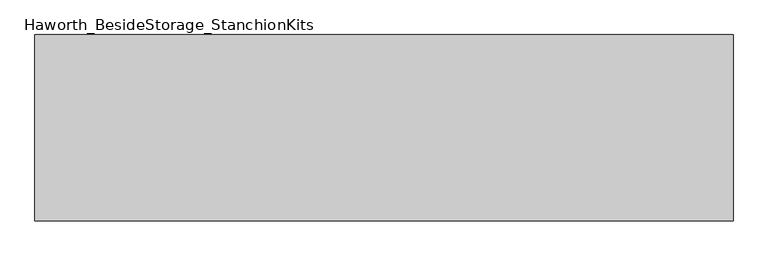
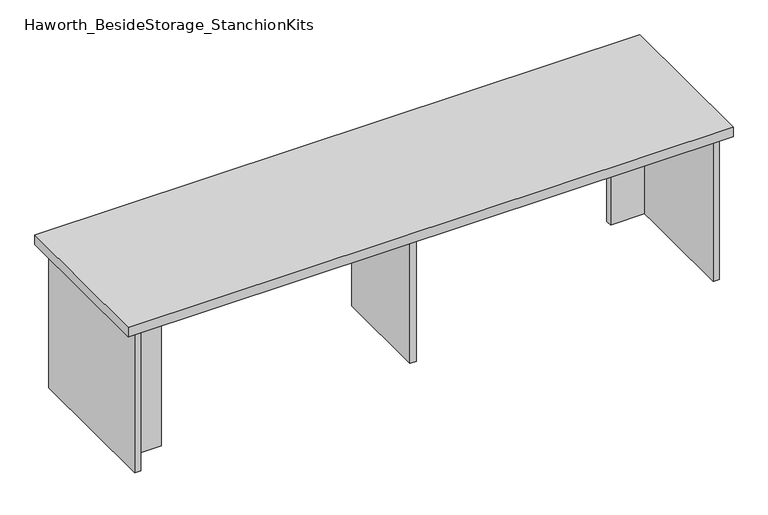
"""IFC4 building model written with IfcOpenShell, lengths in millimetres: furniture geometry, Haworth_BesideStorage_StanchionKits."""

from ifc_helpers import new_model, si_unit, frame, origin, place, context, project, spatial, polyline, outline, extrude, source, transform, mapped, element, save


def haworth_besidestorage_stanchionkits_850c8fd8(model_context):
    return source(origin(), model_context, "Body", "SweptSolid", [
        extrude(outline(polyline([(923.925, 0.0), (923.925, -406.4), (-600.075, -406.4), (-600.075, 0.0), (923.925, 0.0)])), frame((0.0, 0.0, 812.8), z_axis=(0.0, 0.0, 1.0), x_axis=(1.0, 0.0, 0.0)), (0.0, 0.0, 1.0), 25.4),
        extrude(outline(polyline([(796.925, -76.2), (882.65, -76.2), (882.65, -92.075), (796.925, -92.075), (796.925, -76.2)])), frame((0.0, 0.0, 431.8), z_axis=(0.0, 0.0, 1.0), x_axis=(1.0, 0.0, 0.0)), (0.0, 0.0, 1.0), 381.0),
        extrude(outline(polyline([(-473.075, -314.325), (-473.075, -330.2), (-558.8, -330.2), (-558.8, -314.325), (-473.075, -314.325)])), frame((0.0, 0.0, 431.8), z_axis=(0.0, 0.0, 1.0), x_axis=(1.0, 0.0, 0.0)), (0.0, 0.0, 1.0), 381.0),
        extrude(outline(polyline([(169.8625, -330.2), (153.9875, -330.2), (153.9875, -76.2), (169.8625, -76.2), (169.8625, -330.2)])), frame((0.0, 0.0, 431.8), z_axis=(0.0, 0.0, 1.0), x_axis=(1.0, 0.0, 0.0)), (0.0, 0.0, 1.0), 381.0),
        extrude(outline(polyline([(898.525, -390.525), (882.65, -390.525), (882.65, -15.875), (898.525, -15.875), (898.525, -390.525)])), frame((0.0, 0.0, 431.8), z_axis=(0.0, 0.0, 1.0), x_axis=(1.0, 0.0, 0.0)), (0.0, 0.0, 1.0), 381.0),
        extrude(outline(polyline([(-558.8, -390.525), (-574.675, -390.525), (-574.675, -15.875), (-558.8, -15.875), (-558.8, -390.525)])), frame((0.0, 0.0, 431.8), z_axis=(0.0, 0.0, 1.0), x_axis=(1.0, 0.0, 0.0)), (0.0, 0.0, 1.0), 381.0),
    ])


if __name__ == "__main__":
    model = new_model("IFC4")
    model_context = context("Model", 3, world=origin())
    ifc_project = project(units=[si_unit("LENGTHUNIT", "METRE", prefix="MILLI")], contexts=[model_context])
    site = spatial("IfcSite", under=ifc_project)
    building = spatial("IfcBuilding", under=site)
    placement = place(None, origin())
    haworth_besidestorage_stanchionkits_shape = haworth_besidestorage_stanchionkits_850c8fd8(model_context)
    element("IfcFurniture", 1, ObjectType="Haworth_BesideStorage_StanchionKits", at=placement, inside=building, context=model_context, shape_type="MappedRepresentation", body=[
        mapped(haworth_besidestorage_stanchionkits_shape, transform((0.0, 0.0, 0.0), x_axis=(1.0, 0.0, 0.0), y_axis=(0.0, 1.0, 0.0), z_axis=(0.0, 0.0, 1.0))),
    ])
    save(model, "model.ifc")
